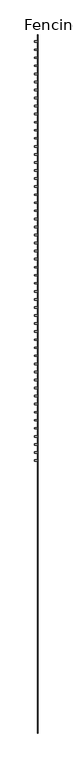
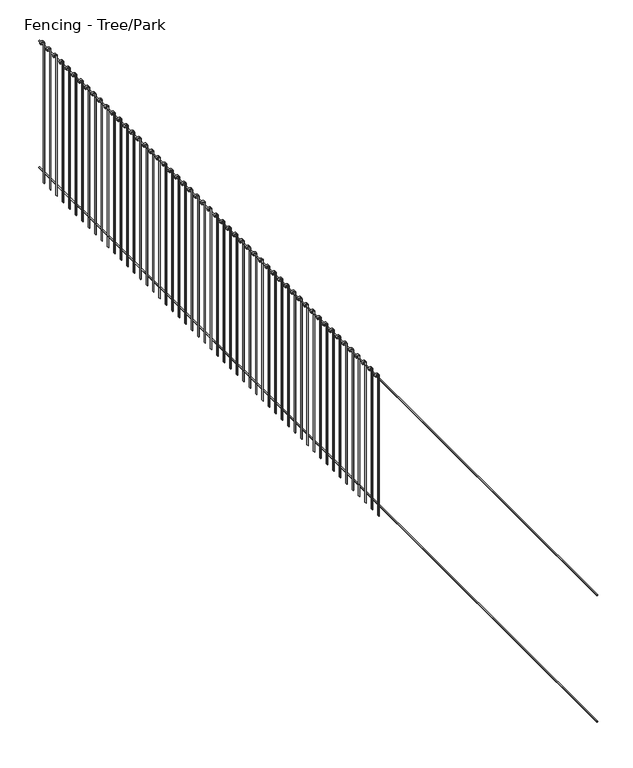
"""IFC4 building model written with IfcOpenShell, lengths in millimetres: railing geometry, Fencing - Tree/Park."""

from ifc_helpers import new_model, si_unit, point, frame, frame_2d, origin, place, context, project, spatial, polyline, circle_curve, trimmed, segment, composite_curve, outline, extrude, source, transform, mapped, element, save


def fencing_tree_park_0481f256(model_context):
    return source(origin(), model_context, "Body", "SweptSolid", [
        extrude(outline(composite_curve([segment(trimmed(circle_curve(frame_2d((1992.5, 92350.1374119)), 7.5), [point((1992.5, 92342.6374119))], [point((1992.5, 92357.6374119))], False, "CARTESIAN"), True, "CONTINUOUS"), segment(trimmed(circle_curve(frame_2d((1992.5, 92350.1374119)), 7.5), [point((1992.5, 92357.6374119))], [point((1992.5, 92342.6374119))], False, "CARTESIAN"), True, "CONTINUOUS")], self_intersect=False)), frame((0.0, 50442.3438466, 0.0), z_axis=(0.0, 1.0, 0.0), x_axis=(0.0, 0.0, 1.0)), (0.0, 0.0, 1.0), 13000.0),
        extrude(outline(composite_curve([segment(trimmed(circle_curve(frame_2d((192.5, 92350.1374119)), 7.5), [point((192.5, 92342.6374119))], [point((192.5, 92357.6374119))], False, "CARTESIAN"), True, "CONTINUOUS"), segment(trimmed(circle_curve(frame_2d((192.5, 92350.1374119)), 7.5), [point((192.5, 92357.6374119))], [point((192.5, 92342.6374119))], False, "CARTESIAN"), True, "CONTINUOUS")], self_intersect=False)), frame((0.0, 50442.3438466, 0.0), z_axis=(0.0, 1.0, 0.0), x_axis=(0.0, 0.0, 1.0)), (0.0, 0.0, 1.0), 13000.0),
        extrude(outline(composite_curve([segment(trimmed(circle_curve(frame_2d((2050.0, 92317.6374119)), 25.0), [point((2050.0, 92342.6374119))], [point((2050.0, 92292.6374119))], False, "CARTESIAN"), True, "CONTINUOUS"), segment(polyline([(2050.0, 92292.6374119), (2040.0, 92292.6374119), (2040.0, 92297.6374119), (2050.0, 92297.6374119)]), True, "CONTINUOUS"), segment(trimmed(circle_curve(frame_2d((2050.0, 92317.6374119)), 20.0), [point((2050.0, 92297.6374119))], [point((2050.0, 92337.6374119))], True, "CARTESIAN"), True, "CONTINUOUS"), segment(polyline([(2050.0, 92337.6374119), (50.0, 92337.6374119), (50.0, 92342.6374119), (2050.0, 92342.6374119)]), True, "CONTINUOUS")], self_intersect=False)), frame((0.0, 63304.8438466, 0.0), z_axis=(0.0, 1.0, 0.0), x_axis=(0.0, 0.0, 1.0)), (0.0, 0.0, 1.0), 25.0),
        extrude(outline(composite_curve([segment(trimmed(circle_curve(frame_2d((2050.0, 92317.6374119)), 25.0), [point((2050.0, 92342.6374119))], [point((2050.0, 92292.6374119))], False, "CARTESIAN"), True, "CONTINUOUS"), segment(polyline([(2050.0, 92292.6374119), (2040.0, 92292.6374119), (2040.0, 92297.6374119), (2050.0, 92297.6374119)]), True, "CONTINUOUS"), segment(trimmed(circle_curve(frame_2d((2050.0, 92317.6374119)), 20.0), [point((2050.0, 92297.6374119))], [point((2050.0, 92337.6374119))], True, "CARTESIAN"), True, "CONTINUOUS"), segment(polyline([(2050.0, 92337.6374119), (50.0, 92337.6374119), (50.0, 92342.6374119), (2050.0, 92342.6374119)]), True, "CONTINUOUS")], self_intersect=False)), frame((0.0, 63154.8438466, 0.0), z_axis=(0.0, 1.0, 0.0), x_axis=(0.0, 0.0, 1.0)), (0.0, 0.0, 1.0), 25.0),
        extrude(outline(composite_curve([segment(trimmed(circle_curve(frame_2d((2050.0, 92317.6374119)), 25.0), [point((2050.0, 92342.6374119))], [point((2050.0, 92292.6374119))], False, "CARTESIAN"), True, "CONTINUOUS"), segment(polyline([(2050.0, 92292.6374119), (2040.0, 92292.6374119), (2040.0, 92297.6374119), (2050.0, 92297.6374119)]), True, "CONTINUOUS"), segment(trimmed(circle_curve(frame_2d((2050.0, 92317.6374119)), 20.0), [point((2050.0, 92297.6374119))], [point((2050.0, 92337.6374119))], True, "CARTESIAN"), True, "CONTINUOUS"), segment(polyline([(2050.0, 92337.6374119), (50.0, 92337.6374119), (50.0, 92342.6374119), (2050.0, 92342.6374119)]), True, "CONTINUOUS")], self_intersect=False)), frame((0.0, 63004.8438466, 0.0), z_axis=(0.0, 1.0, 0.0), x_axis=(0.0, 0.0, 1.0)), (0.0, 0.0, 1.0), 25.0),
        extrude(outline(composite_curve([segment(trimmed(circle_curve(frame_2d((2050.0, 92317.6374119)), 25.0), [point((2050.0, 92342.6374119))], [point((2050.0, 92292.6374119))], False, "CARTESIAN"), True, "CONTINUOUS"), segment(polyline([(2050.0, 92292.6374119), (2040.0, 92292.6374119), (2040.0, 92297.6374119), (2050.0, 92297.6374119)]), True, "CONTINUOUS"), segment(trimmed(circle_curve(frame_2d((2050.0, 92317.6374119)), 20.0), [point((2050.0, 92297.6374119))], [point((2050.0, 92337.6374119))], True, "CARTESIAN"), True, "CONTINUOUS"), segment(polyline([(2050.0, 92337.6374119), (50.0, 92337.6374119), (50.0, 92342.6374119), (2050.0, 92342.6374119)]), True, "CONTINUOUS")], self_intersect=False)), frame((0.0, 62854.8438466, 0.0), z_axis=(0.0, 1.0, 0.0), x_axis=(0.0, 0.0, 1.0)), (0.0, 0.0, 1.0), 25.0),
        extrude(outline(composite_curve([segment(trimmed(circle_curve(frame_2d((2050.0, 92317.6374119)), 25.0), [point((2050.0, 92342.6374119))], [point((2050.0, 92292.6374119))], False, "CARTESIAN"), True, "CONTINUOUS"), segment(polyline([(2050.0, 92292.6374119), (2040.0, 92292.6374119), (2040.0, 92297.6374119), (2050.0, 92297.6374119)]), True, "CONTINUOUS"), segment(trimmed(circle_curve(frame_2d((2050.0, 92317.6374119)), 20.0), [point((2050.0, 92297.6374119))], [point((2050.0, 92337.6374119))], True, "CARTESIAN"), True, "CONTINUOUS"), segment(polyline([(2050.0, 92337.6374119), (50.0, 92337.6374119), (50.0, 92342.6374119), (2050.0, 92342.6374119)]), True, "CONTINUOUS")], self_intersect=False)), frame((0.0, 62704.8438466, 0.0), z_axis=(0.0, 1.0, 0.0), x_axis=(0.0, 0.0, 1.0)), (0.0, 0.0, 1.0), 25.0),
        extrude(outline(composite_curve([segment(trimmed(circle_curve(frame_2d((2050.0, 92317.6374119)), 25.0), [point((2050.0, 92342.6374119))], [point((2050.0, 92292.6374119))], False, "CARTESIAN"), True, "CONTINUOUS"), segment(polyline([(2050.0, 92292.6374119), (2040.0, 92292.6374119), (2040.0, 92297.6374119), (2050.0, 92297.6374119)]), True, "CONTINUOUS"), segment(trimmed(circle_curve(frame_2d((2050.0, 92317.6374119)), 20.0), [point((2050.0, 92297.6374119))], [point((2050.0, 92337.6374119))], True, "CARTESIAN"), True, "CONTINUOUS"), segment(polyline([(2050.0, 92337.6374119), (50.0, 92337.6374119), (50.0, 92342.6374119), (2050.0, 92342.6374119)]), True, "CONTINUOUS")], self_intersect=False)), frame((0.0, 62554.8438466, 0.0), z_axis=(0.0, 1.0, 0.0), x_axis=(0.0, 0.0, 1.0)), (0.0, 0.0, 1.0), 25.0),
        extrude(outline(composite_curve([segment(trimmed(circle_curve(frame_2d((2050.0, 92317.6374119)), 25.0), [point((2050.0, 92342.6374119))], [point((2050.0, 92292.6374119))], False, "CARTESIAN"), True, "CONTINUOUS"), segment(polyline([(2050.0, 92292.6374119), (2040.0, 92292.6374119), (2040.0, 92297.6374119), (2050.0, 92297.6374119)]), True, "CONTINUOUS"), segment(trimmed(circle_curve(frame_2d((2050.0, 92317.6374119)), 20.0), [point((2050.0, 92297.6374119))], [point((2050.0, 92337.6374119))], True, "CARTESIAN"), True, "CONTINUOUS"), segment(polyline([(2050.0, 92337.6374119), (50.0, 92337.6374119), (50.0, 92342.6374119), (2050.0, 92342.6374119)]), True, "CONTINUOUS")], self_intersect=False)), frame((0.0, 62404.8438466, 0.0), z_axis=(0.0, 1.0, 0.0), x_axis=(0.0, 0.0, 1.0)), (0.0, 0.0, 1.0), 25.0),
        extrude(outline(composite_curve([segment(trimmed(circle_curve(frame_2d((2050.0, 92317.6374119)), 25.0), [point((2050.0, 92342.6374119))], [point((2050.0, 92292.6374119))], False, "CARTESIAN"), True, "CONTINUOUS"), segment(polyline([(2050.0, 92292.6374119), (2040.0, 92292.6374119), (2040.0, 92297.6374119), (2050.0, 92297.6374119)]), True, "CONTINUOUS"), segment(trimmed(circle_curve(frame_2d((2050.0, 92317.6374119)), 20.0), [point((2050.0, 92297.6374119))], [point((2050.0, 92337.6374119))], True, "CARTESIAN"), True, "CONTINUOUS"), segment(polyline([(2050.0, 92337.6374119), (50.0, 92337.6374119), (50.0, 92342.6374119), (2050.0, 92342.6374119)]), True, "CONTINUOUS")], self_intersect=False)), frame((0.0, 62254.8438466, 0.0), z_axis=(0.0, 1.0, 0.0), x_axis=(0.0, 0.0, 1.0)), (0.0, 0.0, 1.0), 25.0),
        extrude(outline(composite_curve([segment(trimmed(circle_curve(frame_2d((2050.0, 92317.6374119)), 25.0), [point((2050.0, 92342.6374119))], [point((2050.0, 92292.6374119))], False, "CARTESIAN"), True, "CONTINUOUS"), segment(polyline([(2050.0, 92292.6374119), (2040.0, 92292.6374119), (2040.0, 92297.6374119), (2050.0, 92297.6374119)]), True, "CONTINUOUS"), segment(trimmed(circle_curve(frame_2d((2050.0, 92317.6374119)), 20.0), [point((2050.0, 92297.6374119))], [point((2050.0, 92337.6374119))], True, "CARTESIAN"), True, "CONTINUOUS"), segment(polyline([(2050.0, 92337.6374119), (50.0, 92337.6374119), (50.0, 92342.6374119), (2050.0, 92342.6374119)]), True, "CONTINUOUS")], self_intersect=False)), frame((0.0, 62104.8438466, 0.0), z_axis=(0.0, 1.0, 0.0), x_axis=(0.0, 0.0, 1.0)), (0.0, 0.0, 1.0), 25.0),
        extrude(outline(composite_curve([segment(trimmed(circle_curve(frame_2d((2050.0, 92317.6374119)), 25.0), [point((2050.0, 92342.6374119))], [point((2050.0, 92292.6374119))], False, "CARTESIAN"), True, "CONTINUOUS"), segment(polyline([(2050.0, 92292.6374119), (2040.0, 92292.6374119), (2040.0, 92297.6374119), (2050.0, 92297.6374119)]), True, "CONTINUOUS"), segment(trimmed(circle_curve(frame_2d((2050.0, 92317.6374119)), 20.0), [point((2050.0, 92297.6374119))], [point((2050.0, 92337.6374119))], True, "CARTESIAN"), True, "CONTINUOUS"), segment(polyline([(2050.0, 92337.6374119), (50.0, 92337.6374119), (50.0, 92342.6374119), (2050.0, 92342.6374119)]), True, "CONTINUOUS")], self_intersect=False)), frame((0.0, 61954.8438466, 0.0), z_axis=(0.0, 1.0, 0.0), x_axis=(0.0, 0.0, 1.0)), (0.0, 0.0, 1.0), 25.0),
        extrude(outline(composite_curve([segment(trimmed(circle_curve(frame_2d((2050.0, 92317.6374119)), 25.0), [point((2050.0, 92342.6374119))], [point((2050.0, 92292.6374119))], False, "CARTESIAN"), True, "CONTINUOUS"), segment(polyline([(2050.0, 92292.6374119), (2040.0, 92292.6374119), (2040.0, 92297.6374119), (2050.0, 92297.6374119)]), True, "CONTINUOUS"), segment(trimmed(circle_curve(frame_2d((2050.0, 92317.6374119)), 20.0), [point((2050.0, 92297.6374119))], [point((2050.0, 92337.6374119))], True, "CARTESIAN"), True, "CONTINUOUS"), segment(polyline([(2050.0, 92337.6374119), (50.0, 92337.6374119), (50.0, 92342.6374119), (2050.0, 92342.6374119)]), True, "CONTINUOUS")], self_intersect=False)), frame((0.0, 61804.8438466, 0.0), z_axis=(0.0, 1.0, 0.0), x_axis=(0.0, 0.0, 1.0)), (0.0, 0.0, 1.0), 25.0),
        extrude(outline(composite_curve([segment(trimmed(circle_curve(frame_2d((2050.0, 92317.6374119)), 25.0), [point((2050.0, 92342.6374119))], [point((2050.0, 92292.6374119))], False, "CARTESIAN"), True, "CONTINUOUS"), segment(polyline([(2050.0, 92292.6374119), (2040.0, 92292.6374119), (2040.0, 92297.6374119), (2050.0, 92297.6374119)]), True, "CONTINUOUS"), segment(trimmed(circle_curve(frame_2d((2050.0, 92317.6374119)), 20.0), [point((2050.0, 92297.6374119))], [point((2050.0, 92337.6374119))], True, "CARTESIAN"), True, "CONTINUOUS"), segment(polyline([(2050.0, 92337.6374119), (50.0, 92337.6374119), (50.0, 92342.6374119), (2050.0, 92342.6374119)]), True, "CONTINUOUS")], self_intersect=False)), frame((0.0, 61654.8438466, 0.0), z_axis=(0.0, 1.0, 0.0), x_axis=(0.0, 0.0, 1.0)), (0.0, 0.0, 1.0), 25.0),
        extrude(outline(composite_curve([segment(trimmed(circle_curve(frame_2d((2050.0, 92317.6374119)), 25.0), [point((2050.0, 92342.6374119))], [point((2050.0, 92292.6374119))], False, "CARTESIAN"), True, "CONTINUOUS"), segment(polyline([(2050.0, 92292.6374119), (2040.0, 92292.6374119), (2040.0, 92297.6374119), (2050.0, 92297.6374119)]), True, "CONTINUOUS"), segment(trimmed(circle_curve(frame_2d((2050.0, 92317.6374119)), 20.0), [point((2050.0, 92297.6374119))], [point((2050.0, 92337.6374119))], True, "CARTESIAN"), True, "CONTINUOUS"), segment(polyline([(2050.0, 92337.6374119), (50.0, 92337.6374119), (50.0, 92342.6374119), (2050.0, 92342.6374119)]), True, "CONTINUOUS")], self_intersect=False)), frame((0.0, 61504.8438466, 0.0), z_axis=(0.0, 1.0, 0.0), x_axis=(0.0, 0.0, 1.0)), (0.0, 0.0, 1.0), 25.0),
        extrude(outline(composite_curve([segment(trimmed(circle_curve(frame_2d((2050.0, 92317.6374119)), 25.0), [point((2050.0, 92342.6374119))], [point((2050.0, 92292.6374119))], False, "CARTESIAN"), True, "CONTINUOUS"), segment(polyline([(2050.0, 92292.6374119), (2040.0, 92292.6374119), (2040.0, 92297.6374119), (2050.0, 92297.6374119)]), True, "CONTINUOUS"), segment(trimmed(circle_curve(frame_2d((2050.0, 92317.6374119)), 20.0), [point((2050.0, 92297.6374119))], [point((2050.0, 92337.6374119))], True, "CARTESIAN"), True, "CONTINUOUS"), segment(polyline([(2050.0, 92337.6374119), (50.0, 92337.6374119), (50.0, 92342.6374119), (2050.0, 92342.6374119)]), True, "CONTINUOUS")], self_intersect=False)), frame((0.0, 61354.8438466, 0.0), z_axis=(0.0, 1.0, 0.0), x_axis=(0.0, 0.0, 1.0)), (0.0, 0.0, 1.0), 25.0),
        extrude(outline(composite_curve([segment(trimmed(circle_curve(frame_2d((2050.0, 92317.6374119)), 25.0), [point((2050.0, 92342.6374119))], [point((2050.0, 92292.6374119))], False, "CARTESIAN"), True, "CONTINUOUS"), segment(polyline([(2050.0, 92292.6374119), (2040.0, 92292.6374119), (2040.0, 92297.6374119), (2050.0, 92297.6374119)]), True, "CONTINUOUS"), segment(trimmed(circle_curve(frame_2d((2050.0, 92317.6374119)), 20.0), [point((2050.0, 92297.6374119))], [point((2050.0, 92337.6374119))], True, "CARTESIAN"), True, "CONTINUOUS"), segment(polyline([(2050.0, 92337.6374119), (50.0, 92337.6374119), (50.0, 92342.6374119), (2050.0, 92342.6374119)]), True, "CONTINUOUS")], self_intersect=False)), frame((0.0, 61204.8438466, 0.0), z_axis=(0.0, 1.0, 0.0), x_axis=(0.0, 0.0, 1.0)), (0.0, 0.0, 1.0), 25.0),
        extrude(outline(composite_curve([segment(trimmed(circle_curve(frame_2d((2050.0, 92317.6374119)), 25.0), [point((2050.0, 92342.6374119))], [point((2050.0, 92292.6374119))], False, "CARTESIAN"), True, "CONTINUOUS"), segment(polyline([(2050.0, 92292.6374119), (2040.0, 92292.6374119), (2040.0, 92297.6374119), (2050.0, 92297.6374119)]), True, "CONTINUOUS"), segment(trimmed(circle_curve(frame_2d((2050.0, 92317.6374119)), 20.0), [point((2050.0, 92297.6374119))], [point((2050.0, 92337.6374119))], True, "CARTESIAN"), True, "CONTINUOUS"), segment(polyline([(2050.0, 92337.6374119), (50.0, 92337.6374119), (50.0, 92342.6374119), (2050.0, 92342.6374119)]), True, "CONTINUOUS")], self_intersect=False)), frame((0.0, 61054.8438466, 0.0), z_axis=(0.0, 1.0, 0.0), x_axis=(0.0, 0.0, 1.0)), (0.0, 0.0, 1.0), 25.0),
        extrude(outline(composite_curve([segment(trimmed(circle_curve(frame_2d((2050.0, 92317.6374119)), 25.0), [point((2050.0, 92342.6374119))], [point((2050.0, 92292.6374119))], False, "CARTESIAN"), True, "CONTINUOUS"), segment(polyline([(2050.0, 92292.6374119), (2040.0, 92292.6374119), (2040.0, 92297.6374119), (2050.0, 92297.6374119)]), True, "CONTINUOUS"), segment(trimmed(circle_curve(frame_2d((2050.0, 92317.6374119)), 20.0), [point((2050.0, 92297.6374119))], [point((2050.0, 92337.6374119))], True, "CARTESIAN"), True, "CONTINUOUS"), segment(polyline([(2050.0, 92337.6374119), (50.0, 92337.6374119), (50.0, 92342.6374119), (2050.0, 92342.6374119)]), True, "CONTINUOUS")], self_intersect=False)), frame((0.0, 60904.8438466, 0.0), z_axis=(0.0, 1.0, 0.0), x_axis=(0.0, 0.0, 1.0)), (0.0, 0.0, 1.0), 25.0),
        extrude(outline(composite_curve([segment(trimmed(circle_curve(frame_2d((2050.0, 92317.6374119)), 25.0), [point((2050.0, 92342.6374119))], [point((2050.0, 92292.6374119))], False, "CARTESIAN"), True, "CONTINUOUS"), segment(polyline([(2050.0, 92292.6374119), (2040.0, 92292.6374119), (2040.0, 92297.6374119), (2050.0, 92297.6374119)]), True, "CONTINUOUS"), segment(trimmed(circle_curve(frame_2d((2050.0, 92317.6374119)), 20.0), [point((2050.0, 92297.6374119))], [point((2050.0, 92337.6374119))], True, "CARTESIAN"), True, "CONTINUOUS"), segment(polyline([(2050.0, 92337.6374119), (50.0, 92337.6374119), (50.0, 92342.6374119), (2050.0, 92342.6374119)]), True, "CONTINUOUS")], self_intersect=False)), frame((0.0, 60754.8438466, 0.0), z_axis=(0.0, 1.0, 0.0), x_axis=(0.0, 0.0, 1.0)), (0.0, 0.0, 1.0), 25.0),
        extrude(outline(composite_curve([segment(trimmed(circle_curve(frame_2d((2050.0, 92317.6374119)), 25.0), [point((2050.0, 92342.6374119))], [point((2050.0, 92292.6374119))], False, "CARTESIAN"), True, "CONTINUOUS"), segment(polyline([(2050.0, 92292.6374119), (2040.0, 92292.6374119), (2040.0, 92297.6374119), (2050.0, 92297.6374119)]), True, "CONTINUOUS"), segment(trimmed(circle_curve(frame_2d((2050.0, 92317.6374119)), 20.0), [point((2050.0, 92297.6374119))], [point((2050.0, 92337.6374119))], True, "CARTESIAN"), True, "CONTINUOUS"), segment(polyline([(2050.0, 92337.6374119), (50.0, 92337.6374119), (50.0, 92342.6374119), (2050.0, 92342.6374119)]), True, "CONTINUOUS")], self_intersect=False)), frame((0.0, 60604.8438466, 0.0), z_axis=(0.0, 1.0, 0.0), x_axis=(0.0, 0.0, 1.0)), (0.0, 0.0, 1.0), 25.0),
        extrude(outline(composite_curve([segment(trimmed(circle_curve(frame_2d((2050.0, 92317.6374119)), 25.0), [point((2050.0, 92342.6374119))], [point((2050.0, 92292.6374119))], False, "CARTESIAN"), True, "CONTINUOUS"), segment(polyline([(2050.0, 92292.6374119), (2040.0, 92292.6374119), (2040.0, 92297.6374119), (2050.0, 92297.6374119)]), True, "CONTINUOUS"), segment(trimmed(circle_curve(frame_2d((2050.0, 92317.6374119)), 20.0), [point((2050.0, 92297.6374119))], [point((2050.0, 92337.6374119))], True, "CARTESIAN"), True, "CONTINUOUS"), segment(polyline([(2050.0, 92337.6374119), (50.0, 92337.6374119), (50.0, 92342.6374119), (2050.0, 92342.6374119)]), True, "CONTINUOUS")], self_intersect=False)), frame((0.0, 60454.8438466, 0.0), z_axis=(0.0, 1.0, 0.0), x_axis=(0.0, 0.0, 1.0)), (0.0, 0.0, 1.0), 25.0),
        extrude(outline(composite_curve([segment(trimmed(circle_curve(frame_2d((2050.0, 92317.6374119)), 25.0), [point((2050.0, 92342.6374119))], [point((2050.0, 92292.6374119))], False, "CARTESIAN"), True, "CONTINUOUS"), segment(polyline([(2050.0, 92292.6374119), (2040.0, 92292.6374119), (2040.0, 92297.6374119), (2050.0, 92297.6374119)]), True, "CONTINUOUS"), segment(trimmed(circle_curve(frame_2d((2050.0, 92317.6374119)), 20.0), [point((2050.0, 92297.6374119))], [point((2050.0, 92337.6374119))], True, "CARTESIAN"), True, "CONTINUOUS"), segment(polyline([(2050.0, 92337.6374119), (50.0, 92337.6374119), (50.0, 92342.6374119), (2050.0, 92342.6374119)]), True, "CONTINUOUS")], self_intersect=False)), frame((0.0, 60304.8438466, 0.0), z_axis=(0.0, 1.0, 0.0), x_axis=(0.0, 0.0, 1.0)), (0.0, 0.0, 1.0), 25.0),
        extrude(outline(composite_curve([segment(trimmed(circle_curve(frame_2d((2050.0, 92317.6374119)), 25.0), [point((2050.0, 92342.6374119))], [point((2050.0, 92292.6374119))], False, "CARTESIAN"), True, "CONTINUOUS"), segment(polyline([(2050.0, 92292.6374119), (2040.0, 92292.6374119), (2040.0, 92297.6374119), (2050.0, 92297.6374119)]), True, "CONTINUOUS"), segment(trimmed(circle_curve(frame_2d((2050.0, 92317.6374119)), 20.0), [point((2050.0, 92297.6374119))], [point((2050.0, 92337.6374119))], True, "CARTESIAN"), True, "CONTINUOUS"), segment(polyline([(2050.0, 92337.6374119), (50.0, 92337.6374119), (50.0, 92342.6374119), (2050.0, 92342.6374119)]), True, "CONTINUOUS")], self_intersect=False)), frame((0.0, 60154.8438466, 0.0), z_axis=(0.0, 1.0, 0.0), x_axis=(0.0, 0.0, 1.0)), (0.0, 0.0, 1.0), 25.0),
        extrude(outline(composite_curve([segment(trimmed(circle_curve(frame_2d((2050.0, 92317.6374119)), 25.0), [point((2050.0, 92342.6374119))], [point((2050.0, 92292.6374119))], False, "CARTESIAN"), True, "CONTINUOUS"), segment(polyline([(2050.0, 92292.6374119), (2040.0, 92292.6374119), (2040.0, 92297.6374119), (2050.0, 92297.6374119)]), True, "CONTINUOUS"), segment(trimmed(circle_curve(frame_2d((2050.0, 92317.6374119)), 20.0), [point((2050.0, 92297.6374119))], [point((2050.0, 92337.6374119))], True, "CARTESIAN"), True, "CONTINUOUS"), segment(polyline([(2050.0, 92337.6374119), (50.0, 92337.6374119), (50.0, 92342.6374119), (2050.0, 92342.6374119)]), True, "CONTINUOUS")], self_intersect=False)), frame((0.0, 60004.8438466, 0.0), z_axis=(0.0, 1.0, 0.0), x_axis=(0.0, 0.0, 1.0)), (0.0, 0.0, 1.0), 25.0),
        extrude(outline(composite_curve([segment(trimmed(circle_curve(frame_2d((2050.0, 92317.6374119)), 25.0), [point((2050.0, 92342.6374119))], [point((2050.0, 92292.6374119))], False, "CARTESIAN"), True, "CONTINUOUS"), segment(polyline([(2050.0, 92292.6374119), (2040.0, 92292.6374119), (2040.0, 92297.6374119), (2050.0, 92297.6374119)]), True, "CONTINUOUS"), segment(trimmed(circle_curve(frame_2d((2050.0, 92317.6374119)), 20.0), [point((2050.0, 92297.6374119))], [point((2050.0, 92337.6374119))], True, "CARTESIAN"), True, "CONTINUOUS"), segment(polyline([(2050.0, 92337.6374119), (50.0, 92337.6374119), (50.0, 92342.6374119), (2050.0, 92342.6374119)]), True, "CONTINUOUS")], self_intersect=False)), frame((0.0, 59854.8438466, 0.0), z_axis=(0.0, 1.0, 0.0), x_axis=(0.0, 0.0, 1.0)), (0.0, 0.0, 1.0), 25.0),
        extrude(outline(composite_curve([segment(trimmed(circle_curve(frame_2d((2050.0, 92317.6374119)), 25.0), [point((2050.0, 92342.6374119))], [point((2050.0, 92292.6374119))], False, "CARTESIAN"), True, "CONTINUOUS"), segment(polyline([(2050.0, 92292.6374119), (2040.0, 92292.6374119), (2040.0, 92297.6374119), (2050.0, 92297.6374119)]), True, "CONTINUOUS"), segment(trimmed(circle_curve(frame_2d((2050.0, 92317.6374119)), 20.0), [point((2050.0, 92297.6374119))], [point((2050.0, 92337.6374119))], True, "CARTESIAN"), True, "CONTINUOUS"), segment(polyline([(2050.0, 92337.6374119), (50.0, 92337.6374119), (50.0, 92342.6374119), (2050.0, 92342.6374119)]), True, "CONTINUOUS")], self_intersect=False)), frame((0.0, 59704.8438466, 0.0), z_axis=(0.0, 1.0, 0.0), x_axis=(0.0, 0.0, 1.0)), (0.0, 0.0, 1.0), 25.0),
        extrude(outline(composite_curve([segment(trimmed(circle_curve(frame_2d((2050.0, 92317.6374119)), 25.0), [point((2050.0, 92342.6374119))], [point((2050.0, 92292.6374119))], False, "CARTESIAN"), True, "CONTINUOUS"), segment(polyline([(2050.0, 92292.6374119), (2040.0, 92292.6374119), (2040.0, 92297.6374119), (2050.0, 92297.6374119)]), True, "CONTINUOUS"), segment(trimmed(circle_curve(frame_2d((2050.0, 92317.6374119)), 20.0), [point((2050.0, 92297.6374119))], [point((2050.0, 92337.6374119))], True, "CARTESIAN"), True, "CONTINUOUS"), segment(polyline([(2050.0, 92337.6374119), (50.0, 92337.6374119), (50.0, 92342.6374119), (2050.0, 92342.6374119)]), True, "CONTINUOUS")], self_intersect=False)), frame((0.0, 59554.8438466, 0.0), z_axis=(0.0, 1.0, 0.0), x_axis=(0.0, 0.0, 1.0)), (0.0, 0.0, 1.0), 25.0),
        extrude(outline(composite_curve([segment(trimmed(circle_curve(frame_2d((2050.0, 92317.6374119)), 25.0), [point((2050.0, 92342.6374119))], [point((2050.0, 92292.6374119))], False, "CARTESIAN"), True, "CONTINUOUS"), segment(polyline([(2050.0, 92292.6374119), (2040.0, 92292.6374119), (2040.0, 92297.6374119), (2050.0, 92297.6374119)]), True, "CONTINUOUS"), segment(trimmed(circle_curve(frame_2d((2050.0, 92317.6374119)), 20.0), [point((2050.0, 92297.6374119))], [point((2050.0, 92337.6374119))], True, "CARTESIAN"), True, "CONTINUOUS"), segment(polyline([(2050.0, 92337.6374119), (50.0, 92337.6374119), (50.0, 92342.6374119), (2050.0, 92342.6374119)]), True, "CONTINUOUS")], self_intersect=False)), frame((0.0, 59404.8438466, 0.0), z_axis=(0.0, 1.0, 0.0), x_axis=(0.0, 0.0, 1.0)), (0.0, 0.0, 1.0), 25.0),
        extrude(outline(composite_curve([segment(trimmed(circle_curve(frame_2d((2050.0, 92317.6374119)), 25.0), [point((2050.0, 92342.6374119))], [point((2050.0, 92292.6374119))], False, "CARTESIAN"), True, "CONTINUOUS"), segment(polyline([(2050.0, 92292.6374119), (2040.0, 92292.6374119), (2040.0, 92297.6374119), (2050.0, 92297.6374119)]), True, "CONTINUOUS"), segment(trimmed(circle_curve(frame_2d((2050.0, 92317.6374119)), 20.0), [point((2050.0, 92297.6374119))], [point((2050.0, 92337.6374119))], True, "CARTESIAN"), True, "CONTINUOUS"), segment(polyline([(2050.0, 92337.6374119), (50.0, 92337.6374119), (50.0, 92342.6374119), (2050.0, 92342.6374119)]), True, "CONTINUOUS")], self_intersect=False)), frame((0.0, 59254.8438466, 0.0), z_axis=(0.0, 1.0, 0.0), x_axis=(0.0, 0.0, 1.0)), (0.0, 0.0, 1.0), 25.0),
        extrude(outline(composite_curve([segment(trimmed(circle_curve(frame_2d((2050.0, 92317.6374119)), 25.0), [point((2050.0, 92342.6374119))], [point((2050.0, 92292.6374119))], False, "CARTESIAN"), True, "CONTINUOUS"), segment(polyline([(2050.0, 92292.6374119), (2040.0, 92292.6374119), (2040.0, 92297.6374119), (2050.0, 92297.6374119)]), True, "CONTINUOUS"), segment(trimmed(circle_curve(frame_2d((2050.0, 92317.6374119)), 20.0), [point((2050.0, 92297.6374119))], [point((2050.0, 92337.6374119))], True, "CARTESIAN"), True, "CONTINUOUS"), segment(polyline([(2050.0, 92337.6374119), (50.0, 92337.6374119), (50.0, 92342.6374119), (2050.0, 92342.6374119)]), True, "CONTINUOUS")], self_intersect=False)), frame((0.0, 59104.8438466, 0.0), z_axis=(0.0, 1.0, 0.0), x_axis=(0.0, 0.0, 1.0)), (0.0, 0.0, 1.0), 25.0),
        extrude(outline(composite_curve([segment(trimmed(circle_curve(frame_2d((2050.0, 92317.6374119)), 25.0), [point((2050.0, 92342.6374119))], [point((2050.0, 92292.6374119))], False, "CARTESIAN"), True, "CONTINUOUS"), segment(polyline([(2050.0, 92292.6374119), (2040.0, 92292.6374119), (2040.0, 92297.6374119), (2050.0, 92297.6374119)]), True, "CONTINUOUS"), segment(trimmed(circle_curve(frame_2d((2050.0, 92317.6374119)), 20.0), [point((2050.0, 92297.6374119))], [point((2050.0, 92337.6374119))], True, "CARTESIAN"), True, "CONTINUOUS"), segment(polyline([(2050.0, 92337.6374119), (50.0, 92337.6374119), (50.0, 92342.6374119), (2050.0, 92342.6374119)]), True, "CONTINUOUS")], self_intersect=False)), frame((0.0, 58954.8438466, 0.0), z_axis=(0.0, 1.0, 0.0), x_axis=(0.0, 0.0, 1.0)), (0.0, 0.0, 1.0), 25.0),
        extrude(outline(composite_curve([segment(trimmed(circle_curve(frame_2d((2050.0, 92317.6374119)), 25.0), [point((2050.0, 92342.6374119))], [point((2050.0, 92292.6374119))], False, "CARTESIAN"), True, "CONTINUOUS"), segment(polyline([(2050.0, 92292.6374119), (2040.0, 92292.6374119), (2040.0, 92297.6374119), (2050.0, 92297.6374119)]), True, "CONTINUOUS"), segment(trimmed(circle_curve(frame_2d((2050.0, 92317.6374119)), 20.0), [point((2050.0, 92297.6374119))], [point((2050.0, 92337.6374119))], True, "CARTESIAN"), True, "CONTINUOUS"), segment(polyline([(2050.0, 92337.6374119), (50.0, 92337.6374119), (50.0, 92342.6374119), (2050.0, 92342.6374119)]), True, "CONTINUOUS")], self_intersect=False)), frame((0.0, 58804.8438466, 0.0), z_axis=(0.0, 1.0, 0.0), x_axis=(0.0, 0.0, 1.0)), (0.0, 0.0, 1.0), 25.0),
        extrude(outline(composite_curve([segment(trimmed(circle_curve(frame_2d((2050.0, 92317.6374119)), 25.0), [point((2050.0, 92342.6374119))], [point((2050.0, 92292.6374119))], False, "CARTESIAN"), True, "CONTINUOUS"), segment(polyline([(2050.0, 92292.6374119), (2040.0, 92292.6374119), (2040.0, 92297.6374119), (2050.0, 92297.6374119)]), True, "CONTINUOUS"), segment(trimmed(circle_curve(frame_2d((2050.0, 92317.6374119)), 20.0), [point((2050.0, 92297.6374119))], [point((2050.0, 92337.6374119))], True, "CARTESIAN"), True, "CONTINUOUS"), segment(polyline([(2050.0, 92337.6374119), (50.0, 92337.6374119), (50.0, 92342.6374119), (2050.0, 92342.6374119)]), True, "CONTINUOUS")], self_intersect=False)), frame((0.0, 58654.8438466, 0.0), z_axis=(0.0, 1.0, 0.0), x_axis=(0.0, 0.0, 1.0)), (0.0, 0.0, 1.0), 25.0),
        extrude(outline(composite_curve([segment(trimmed(circle_curve(frame_2d((2050.0, 92317.6374119)), 25.0), [point((2050.0, 92342.6374119))], [point((2050.0, 92292.6374119))], False, "CARTESIAN"), True, "CONTINUOUS"), segment(polyline([(2050.0, 92292.6374119), (2040.0, 92292.6374119), (2040.0, 92297.6374119), (2050.0, 92297.6374119)]), True, "CONTINUOUS"), segment(trimmed(circle_curve(frame_2d((2050.0, 92317.6374119)), 20.0), [point((2050.0, 92297.6374119))], [point((2050.0, 92337.6374119))], True, "CARTESIAN"), True, "CONTINUOUS"), segment(polyline([(2050.0, 92337.6374119), (50.0, 92337.6374119), (50.0, 92342.6374119), (2050.0, 92342.6374119)]), True, "CONTINUOUS")], self_intersect=False)), frame((0.0, 58504.8438466, 0.0), z_axis=(0.0, 1.0, 0.0), x_axis=(0.0, 0.0, 1.0)), (0.0, 0.0, 1.0), 25.0),
        extrude(outline(composite_curve([segment(trimmed(circle_curve(frame_2d((2050.0, 92317.6374119)), 25.0), [point((2050.0, 92342.6374119))], [point((2050.0, 92292.6374119))], False, "CARTESIAN"), True, "CONTINUOUS"), segment(polyline([(2050.0, 92292.6374119), (2040.0, 92292.6374119), (2040.0, 92297.6374119), (2050.0, 92297.6374119)]), True, "CONTINUOUS"), segment(trimmed(circle_curve(frame_2d((2050.0, 92317.6374119)), 20.0), [point((2050.0, 92297.6374119))], [point((2050.0, 92337.6374119))], True, "CARTESIAN"), True, "CONTINUOUS"), segment(polyline([(2050.0, 92337.6374119), (50.0, 92337.6374119), (50.0, 92342.6374119), (2050.0, 92342.6374119)]), True, "CONTINUOUS")], self_intersect=False)), frame((0.0, 58354.8438466, 0.0), z_axis=(0.0, 1.0, 0.0), x_axis=(0.0, 0.0, 1.0)), (0.0, 0.0, 1.0), 25.0),
        extrude(outline(composite_curve([segment(trimmed(circle_curve(frame_2d((2050.0, 92317.6374119)), 25.0), [point((2050.0, 92342.6374119))], [point((2050.0, 92292.6374119))], False, "CARTESIAN"), True, "CONTINUOUS"), segment(polyline([(2050.0, 92292.6374119), (2040.0, 92292.6374119), (2040.0, 92297.6374119), (2050.0, 92297.6374119)]), True, "CONTINUOUS"), segment(trimmed(circle_curve(frame_2d((2050.0, 92317.6374119)), 20.0), [point((2050.0, 92297.6374119))], [point((2050.0, 92337.6374119))], True, "CARTESIAN"), True, "CONTINUOUS"), segment(polyline([(2050.0, 92337.6374119), (50.0, 92337.6374119), (50.0, 92342.6374119), (2050.0, 92342.6374119)]), True, "CONTINUOUS")], self_intersect=False)), frame((0.0, 58204.8438466, 0.0), z_axis=(0.0, 1.0, 0.0), x_axis=(0.0, 0.0, 1.0)), (0.0, 0.0, 1.0), 25.0),
        extrude(outline(composite_curve([segment(trimmed(circle_curve(frame_2d((2050.0, 92317.6374119)), 25.0), [point((2050.0, 92342.6374119))], [point((2050.0, 92292.6374119))], False, "CARTESIAN"), True, "CONTINUOUS"), segment(polyline([(2050.0, 92292.6374119), (2040.0, 92292.6374119), (2040.0, 92297.6374119), (2050.0, 92297.6374119)]), True, "CONTINUOUS"), segment(trimmed(circle_curve(frame_2d((2050.0, 92317.6374119)), 20.0), [point((2050.0, 92297.6374119))], [point((2050.0, 92337.6374119))], True, "CARTESIAN"), True, "CONTINUOUS"), segment(polyline([(2050.0, 92337.6374119), (50.0, 92337.6374119), (50.0, 92342.6374119), (2050.0, 92342.6374119)]), True, "CONTINUOUS")], self_intersect=False)), frame((0.0, 58054.8438466, 0.0), z_axis=(0.0, 1.0, 0.0), x_axis=(0.0, 0.0, 1.0)), (0.0, 0.0, 1.0), 25.0),
        extrude(outline(composite_curve([segment(trimmed(circle_curve(frame_2d((2050.0, 92317.6374119)), 25.0), [point((2050.0, 92342.6374119))], [point((2050.0, 92292.6374119))], False, "CARTESIAN"), True, "CONTINUOUS"), segment(polyline([(2050.0, 92292.6374119), (2040.0, 92292.6374119), (2040.0, 92297.6374119), (2050.0, 92297.6374119)]), True, "CONTINUOUS"), segment(trimmed(circle_curve(frame_2d((2050.0, 92317.6374119)), 20.0), [point((2050.0, 92297.6374119))], [point((2050.0, 92337.6374119))], True, "CARTESIAN"), True, "CONTINUOUS"), segment(polyline([(2050.0, 92337.6374119), (50.0, 92337.6374119), (50.0, 92342.6374119), (2050.0, 92342.6374119)]), True, "CONTINUOUS")], self_intersect=False)), frame((0.0, 57904.8438466, 0.0), z_axis=(0.0, 1.0, 0.0), x_axis=(0.0, 0.0, 1.0)), (0.0, 0.0, 1.0), 25.0),
        extrude(outline(composite_curve([segment(trimmed(circle_curve(frame_2d((2050.0, 92317.6374119)), 25.0), [point((2050.0, 92342.6374119))], [point((2050.0, 92292.6374119))], False, "CARTESIAN"), True, "CONTINUOUS"), segment(polyline([(2050.0, 92292.6374119), (2040.0, 92292.6374119), (2040.0, 92297.6374119), (2050.0, 92297.6374119)]), True, "CONTINUOUS"), segment(trimmed(circle_curve(frame_2d((2050.0, 92317.6374119)), 20.0), [point((2050.0, 92297.6374119))], [point((2050.0, 92337.6374119))], True, "CARTESIAN"), True, "CONTINUOUS"), segment(polyline([(2050.0, 92337.6374119), (50.0, 92337.6374119), (50.0, 92342.6374119), (2050.0, 92342.6374119)]), True, "CONTINUOUS")], self_intersect=False)), frame((0.0, 57754.8438466, 0.0), z_axis=(0.0, 1.0, 0.0), x_axis=(0.0, 0.0, 1.0)), (0.0, 0.0, 1.0), 25.0),
        extrude(outline(composite_curve([segment(trimmed(circle_curve(frame_2d((2050.0, 92317.6374119)), 25.0), [point((2050.0, 92342.6374119))], [point((2050.0, 92292.6374119))], False, "CARTESIAN"), True, "CONTINUOUS"), segment(polyline([(2050.0, 92292.6374119), (2040.0, 92292.6374119), (2040.0, 92297.6374119), (2050.0, 92297.6374119)]), True, "CONTINUOUS"), segment(trimmed(circle_curve(frame_2d((2050.0, 92317.6374119)), 20.0), [point((2050.0, 92297.6374119))], [point((2050.0, 92337.6374119))], True, "CARTESIAN"), True, "CONTINUOUS"), segment(polyline([(2050.0, 92337.6374119), (50.0, 92337.6374119), (50.0, 92342.6374119), (2050.0, 92342.6374119)]), True, "CONTINUOUS")], self_intersect=False)), frame((0.0, 57604.8438466, 0.0), z_axis=(0.0, 1.0, 0.0), x_axis=(0.0, 0.0, 1.0)), (0.0, 0.0, 1.0), 25.0),
        extrude(outline(composite_curve([segment(trimmed(circle_curve(frame_2d((2050.0, 92317.6374119)), 25.0), [point((2050.0, 92342.6374119))], [point((2050.0, 92292.6374119))], False, "CARTESIAN"), True, "CONTINUOUS"), segment(polyline([(2050.0, 92292.6374119), (2040.0, 92292.6374119), (2040.0, 92297.6374119), (2050.0, 92297.6374119)]), True, "CONTINUOUS"), segment(trimmed(circle_curve(frame_2d((2050.0, 92317.6374119)), 20.0), [point((2050.0, 92297.6374119))], [point((2050.0, 92337.6374119))], True, "CARTESIAN"), True, "CONTINUOUS"), segment(polyline([(2050.0, 92337.6374119), (50.0, 92337.6374119), (50.0, 92342.6374119), (2050.0, 92342.6374119)]), True, "CONTINUOUS")], self_intersect=False)), frame((0.0, 57454.8438466, 0.0), z_axis=(0.0, 1.0, 0.0), x_axis=(0.0, 0.0, 1.0)), (0.0, 0.0, 1.0), 25.0),
        extrude(outline(composite_curve([segment(trimmed(circle_curve(frame_2d((2050.0, 92317.6374119)), 25.0), [point((2050.0, 92342.6374119))], [point((2050.0, 92292.6374119))], False, "CARTESIAN"), True, "CONTINUOUS"), segment(polyline([(2050.0, 92292.6374119), (2040.0, 92292.6374119), (2040.0, 92297.6374119), (2050.0, 92297.6374119)]), True, "CONTINUOUS"), segment(trimmed(circle_curve(frame_2d((2050.0, 92317.6374119)), 20.0), [point((2050.0, 92297.6374119))], [point((2050.0, 92337.6374119))], True, "CARTESIAN"), True, "CONTINUOUS"), segment(polyline([(2050.0, 92337.6374119), (50.0, 92337.6374119), (50.0, 92342.6374119), (2050.0, 92342.6374119)]), True, "CONTINUOUS")], self_intersect=False)), frame((0.0, 57304.8438466, 0.0), z_axis=(0.0, 1.0, 0.0), x_axis=(0.0, 0.0, 1.0)), (0.0, 0.0, 1.0), 25.0),
        extrude(outline(composite_curve([segment(trimmed(circle_curve(frame_2d((2050.0, 92317.6374119)), 25.0), [point((2050.0, 92342.6374119))], [point((2050.0, 92292.6374119))], False, "CARTESIAN"), True, "CONTINUOUS"), segment(polyline([(2050.0, 92292.6374119), (2040.0, 92292.6374119), (2040.0, 92297.6374119), (2050.0, 92297.6374119)]), True, "CONTINUOUS"), segment(trimmed(circle_curve(frame_2d((2050.0, 92317.6374119)), 20.0), [point((2050.0, 92297.6374119))], [point((2050.0, 92337.6374119))], True, "CARTESIAN"), True, "CONTINUOUS"), segment(polyline([(2050.0, 92337.6374119), (50.0, 92337.6374119), (50.0, 92342.6374119), (2050.0, 92342.6374119)]), True, "CONTINUOUS")], self_intersect=False)), frame((0.0, 57154.8438466, 0.0), z_axis=(0.0, 1.0, 0.0), x_axis=(0.0, 0.0, 1.0)), (0.0, 0.0, 1.0), 25.0),
        extrude(outline(composite_curve([segment(trimmed(circle_curve(frame_2d((2050.0, 92317.6374119)), 25.0), [point((2050.0, 92342.6374119))], [point((2050.0, 92292.6374119))], False, "CARTESIAN"), True, "CONTINUOUS"), segment(polyline([(2050.0, 92292.6374119), (2040.0, 92292.6374119), (2040.0, 92297.6374119), (2050.0, 92297.6374119)]), True, "CONTINUOUS"), segment(trimmed(circle_curve(frame_2d((2050.0, 92317.6374119)), 20.0), [point((2050.0, 92297.6374119))], [point((2050.0, 92337.6374119))], True, "CARTESIAN"), True, "CONTINUOUS"), segment(polyline([(2050.0, 92337.6374119), (50.0, 92337.6374119), (50.0, 92342.6374119), (2050.0, 92342.6374119)]), True, "CONTINUOUS")], self_intersect=False)), frame((0.0, 57004.8438466, 0.0), z_axis=(0.0, 1.0, 0.0), x_axis=(0.0, 0.0, 1.0)), (0.0, 0.0, 1.0), 25.0),
        extrude(outline(composite_curve([segment(trimmed(circle_curve(frame_2d((2050.0, 92317.6374119)), 25.0), [point((2050.0, 92342.6374119))], [point((2050.0, 92292.6374119))], False, "CARTESIAN"), True, "CONTINUOUS"), segment(polyline([(2050.0, 92292.6374119), (2040.0, 92292.6374119), (2040.0, 92297.6374119), (2050.0, 92297.6374119)]), True, "CONTINUOUS"), segment(trimmed(circle_curve(frame_2d((2050.0, 92317.6374119)), 20.0), [point((2050.0, 92297.6374119))], [point((2050.0, 92337.6374119))], True, "CARTESIAN"), True, "CONTINUOUS"), segment(polyline([(2050.0, 92337.6374119), (50.0, 92337.6374119), (50.0, 92342.6374119), (2050.0, 92342.6374119)]), True, "CONTINUOUS")], self_intersect=False)), frame((0.0, 56854.8438466, 0.0), z_axis=(0.0, 1.0, 0.0), x_axis=(0.0, 0.0, 1.0)), (0.0, 0.0, 1.0), 25.0),
        extrude(outline(composite_curve([segment(trimmed(circle_curve(frame_2d((2050.0, 92317.6374119)), 25.0), [point((2050.0, 92342.6374119))], [point((2050.0, 92292.6374119))], False, "CARTESIAN"), True, "CONTINUOUS"), segment(polyline([(2050.0, 92292.6374119), (2040.0, 92292.6374119), (2040.0, 92297.6374119), (2050.0, 92297.6374119)]), True, "CONTINUOUS"), segment(trimmed(circle_curve(frame_2d((2050.0, 92317.6374119)), 20.0), [point((2050.0, 92297.6374119))], [point((2050.0, 92337.6374119))], True, "CARTESIAN"), True, "CONTINUOUS"), segment(polyline([(2050.0, 92337.6374119), (50.0, 92337.6374119), (50.0, 92342.6374119), (2050.0, 92342.6374119)]), True, "CONTINUOUS")], self_intersect=False)), frame((0.0, 56704.8438466, 0.0), z_axis=(0.0, 1.0, 0.0), x_axis=(0.0, 0.0, 1.0)), (0.0, 0.0, 1.0), 25.0),
        extrude(outline(composite_curve([segment(trimmed(circle_curve(frame_2d((2050.0, 92317.6374119)), 25.0), [point((2050.0, 92342.6374119))], [point((2050.0, 92292.6374119))], False, "CARTESIAN"), True, "CONTINUOUS"), segment(polyline([(2050.0, 92292.6374119), (2040.0, 92292.6374119), (2040.0, 92297.6374119), (2050.0, 92297.6374119)]), True, "CONTINUOUS"), segment(trimmed(circle_curve(frame_2d((2050.0, 92317.6374119)), 20.0), [point((2050.0, 92297.6374119))], [point((2050.0, 92337.6374119))], True, "CARTESIAN"), True, "CONTINUOUS"), segment(polyline([(2050.0, 92337.6374119), (50.0, 92337.6374119), (50.0, 92342.6374119), (2050.0, 92342.6374119)]), True, "CONTINUOUS")], self_intersect=False)), frame((0.0, 56554.8438466, 0.0), z_axis=(0.0, 1.0, 0.0), x_axis=(0.0, 0.0, 1.0)), (0.0, 0.0, 1.0), 25.0),
        extrude(outline(composite_curve([segment(trimmed(circle_curve(frame_2d((2050.0, 92317.6374119)), 25.0), [point((2050.0, 92342.6374119))], [point((2050.0, 92292.6374119))], False, "CARTESIAN"), True, "CONTINUOUS"), segment(polyline([(2050.0, 92292.6374119), (2040.0, 92292.6374119), (2040.0, 92297.6374119), (2050.0, 92297.6374119)]), True, "CONTINUOUS"), segment(trimmed(circle_curve(frame_2d((2050.0, 92317.6374119)), 20.0), [point((2050.0, 92297.6374119))], [point((2050.0, 92337.6374119))], True, "CARTESIAN"), True, "CONTINUOUS"), segment(polyline([(2050.0, 92337.6374119), (50.0, 92337.6374119), (50.0, 92342.6374119), (2050.0, 92342.6374119)]), True, "CONTINUOUS")], self_intersect=False)), frame((0.0, 56404.8438466, 0.0), z_axis=(0.0, 1.0, 0.0), x_axis=(0.0, 0.0, 1.0)), (0.0, 0.0, 1.0), 25.0),
        extrude(outline(composite_curve([segment(trimmed(circle_curve(frame_2d((2050.0, 92317.6374119)), 25.0), [point((2050.0, 92342.6374119))], [point((2050.0, 92292.6374119))], False, "CARTESIAN"), True, "CONTINUOUS"), segment(polyline([(2050.0, 92292.6374119), (2040.0, 92292.6374119), (2040.0, 92297.6374119), (2050.0, 92297.6374119)]), True, "CONTINUOUS"), segment(trimmed(circle_curve(frame_2d((2050.0, 92317.6374119)), 20.0), [point((2050.0, 92297.6374119))], [point((2050.0, 92337.6374119))], True, "CARTESIAN"), True, "CONTINUOUS"), segment(polyline([(2050.0, 92337.6374119), (50.0, 92337.6374119), (50.0, 92342.6374119), (2050.0, 92342.6374119)]), True, "CONTINUOUS")], self_intersect=False)), frame((0.0, 56254.8438466, 0.0), z_axis=(0.0, 1.0, 0.0), x_axis=(0.0, 0.0, 1.0)), (0.0, 0.0, 1.0), 25.0),
        extrude(outline(composite_curve([segment(trimmed(circle_curve(frame_2d((2050.0, 92317.6374119)), 25.0), [point((2050.0, 92342.6374119))], [point((2050.0, 92292.6374119))], False, "CARTESIAN"), True, "CONTINUOUS"), segment(polyline([(2050.0, 92292.6374119), (2040.0, 92292.6374119), (2040.0, 92297.6374119), (2050.0, 92297.6374119)]), True, "CONTINUOUS"), segment(trimmed(circle_curve(frame_2d((2050.0, 92317.6374119)), 20.0), [point((2050.0, 92297.6374119))], [point((2050.0, 92337.6374119))], True, "CARTESIAN"), True, "CONTINUOUS"), segment(polyline([(2050.0, 92337.6374119), (50.0, 92337.6374119), (50.0, 92342.6374119), (2050.0, 92342.6374119)]), True, "CONTINUOUS")], self_intersect=False)), frame((0.0, 56104.8438466, 0.0), z_axis=(0.0, 1.0, 0.0), x_axis=(0.0, 0.0, 1.0)), (0.0, 0.0, 1.0), 25.0),
        extrude(outline(composite_curve([segment(trimmed(circle_curve(frame_2d((2050.0, 92317.6374119)), 25.0), [point((2050.0, 92342.6374119))], [point((2050.0, 92292.6374119))], False, "CARTESIAN"), True, "CONTINUOUS"), segment(polyline([(2050.0, 92292.6374119), (2040.0, 92292.6374119), (2040.0, 92297.6374119), (2050.0, 92297.6374119)]), True, "CONTINUOUS"), segment(trimmed(circle_curve(frame_2d((2050.0, 92317.6374119)), 20.0), [point((2050.0, 92297.6374119))], [point((2050.0, 92337.6374119))], True, "CARTESIAN"), True, "CONTINUOUS"), segment(polyline([(2050.0, 92337.6374119), (50.0, 92337.6374119), (50.0, 92342.6374119), (2050.0, 92342.6374119)]), True, "CONTINUOUS")], self_intersect=False)), frame((0.0, 55954.8438466, 0.0), z_axis=(0.0, 1.0, 0.0), x_axis=(0.0, 0.0, 1.0)), (0.0, 0.0, 1.0), 25.0),
        extrude(outline(composite_curve([segment(trimmed(circle_curve(frame_2d((2050.0, 92317.6374119)), 25.0), [point((2050.0, 92342.6374119))], [point((2050.0, 92292.6374119))], False, "CARTESIAN"), True, "CONTINUOUS"), segment(polyline([(2050.0, 92292.6374119), (2040.0, 92292.6374119), (2040.0, 92297.6374119), (2050.0, 92297.6374119)]), True, "CONTINUOUS"), segment(trimmed(circle_curve(frame_2d((2050.0, 92317.6374119)), 20.0), [point((2050.0, 92297.6374119))], [point((2050.0, 92337.6374119))], True, "CARTESIAN"), True, "CONTINUOUS"), segment(polyline([(2050.0, 92337.6374119), (50.0, 92337.6374119), (50.0, 92342.6374119), (2050.0, 92342.6374119)]), True, "CONTINUOUS")], self_intersect=False)), frame((0.0, 55804.8438466, 0.0), z_axis=(0.0, 1.0, 0.0), x_axis=(0.0, 0.0, 1.0)), (0.0, 0.0, 1.0), 25.0),
        extrude(outline(composite_curve([segment(trimmed(circle_curve(frame_2d((2050.0, 92317.6374119)), 25.0), [point((2050.0, 92342.6374119))], [point((2050.0, 92292.6374119))], False, "CARTESIAN"), True, "CONTINUOUS"), segment(polyline([(2050.0, 92292.6374119), (2040.0, 92292.6374119), (2040.0, 92297.6374119), (2050.0, 92297.6374119)]), True, "CONTINUOUS"), segment(trimmed(circle_curve(frame_2d((2050.0, 92317.6374119)), 20.0), [point((2050.0, 92297.6374119))], [point((2050.0, 92337.6374119))], True, "CARTESIAN"), True, "CONTINUOUS"), segment(polyline([(2050.0, 92337.6374119), (50.0, 92337.6374119), (50.0, 92342.6374119), (2050.0, 92342.6374119)]), True, "CONTINUOUS")], self_intersect=False)), frame((0.0, 55654.8438466, 0.0), z_axis=(0.0, 1.0, 0.0), x_axis=(0.0, 0.0, 1.0)), (0.0, 0.0, 1.0), 25.0),
        extrude(outline(composite_curve([segment(trimmed(circle_curve(frame_2d((2050.0, 92317.6374119)), 25.0), [point((2050.0, 92342.6374119))], [point((2050.0, 92292.6374119))], False, "CARTESIAN"), True, "CONTINUOUS"), segment(polyline([(2050.0, 92292.6374119), (2040.0, 92292.6374119), (2040.0, 92297.6374119), (2050.0, 92297.6374119)]), True, "CONTINUOUS"), segment(trimmed(circle_curve(frame_2d((2050.0, 92317.6374119)), 20.0), [point((2050.0, 92297.6374119))], [point((2050.0, 92337.6374119))], True, "CARTESIAN"), True, "CONTINUOUS"), segment(polyline([(2050.0, 92337.6374119), (50.0, 92337.6374119), (50.0, 92342.6374119), (2050.0, 92342.6374119)]), True, "CONTINUOUS")], self_intersect=False)), frame((0.0, 55504.8438466, 0.0), z_axis=(0.0, 1.0, 0.0), x_axis=(0.0, 0.0, 1.0)), (0.0, 0.0, 1.0), 25.0),
    ])


if __name__ == "__main__":
    model = new_model("IFC4")
    model_context = context("Model", 3, world=origin())
    ifc_project = project(units=[si_unit("LENGTHUNIT", "METRE", prefix="MILLI")], contexts=[model_context])
    site = spatial("IfcSite", under=ifc_project)
    building = spatial("IfcBuilding", under=site)
    placement = place(None, origin())
    fencing_tree_park_shape = fencing_tree_park_0481f256(model_context)
    element("IfcRailing", 1, ObjectType="Fencing - Tree/Park", at=placement, inside=building, context=model_context, shape_type="MappedRepresentation", body=[
        mapped(fencing_tree_park_shape, transform((0.0, 0.0, 0.0), x_axis=(1.0, 0.0, 0.0), y_axis=(0.0, 1.0, 0.0), z_axis=(0.0, 0.0, 1.0))),
    ])
    save(model, "model.ifc")
